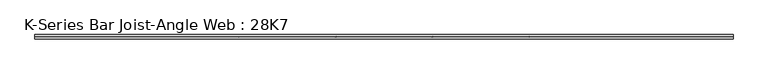
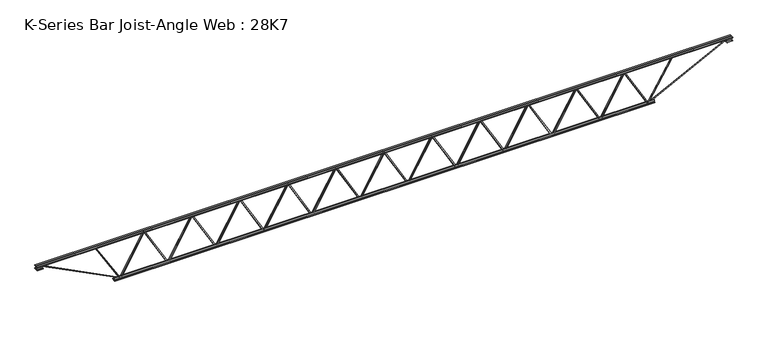
"""IFC4 building model written with IfcOpenShell, lengths in millimetres: beam geometry, K-Series Bar Joist-Angle Web : 28K7."""

from ifc_helpers import new_model, si_unit, frame, origin, place, context, project, spatial, polyline, outline, extrude, faceted_brep, source, transform, mapped, element, save


def k_series_bar_joist_angle_web_28k7_115aaade(model_context):
    return source(origin(), model_context, "Body", "SolidModel", [
        extrude(outline(polyline([(-4.7625, 4.7625001), (-4.7625, 0.0), (-17.4625, 0.0), (-17.4625, 4.7625001), (-4.7625, 4.7625001)])), frame((3647.6583757, 0.0, -317.5), z_axis=(-0.5001956267087221, 0.0, 0.8659124291875414), x_axis=(0.0, -1.0, 0.0)), (0.0, 0.0, 1.0), 733.3305062),
        extrude(outline(polyline([(-352.425, 3679.6806818), (-333.375, 3679.6806818), (-333.375, 3678.8285087), (352.425, 3282.6750996), (352.425, 3264.4772727), (333.375, 3264.4772727), (333.375, 3271.6794458), (-352.425, 3667.8328549), (-352.425, 3679.6806818)])), frame((0.0, 0.0, 0.0), z_axis=(0.0, 1.0, 0.0), x_axis=(0.0, 0.0, 1.0)), (0.0, 0.0, 1.0), 4.7625),
        faceted_brep([(2861.9738636, 0.0, -333.375), (2861.9738636, 0.0, -352.425), (2861.9738636, -4.7625, -352.425), (2861.9738636, -4.7625, -333.375), (2862.8260367, 0.0, -333.375), (3258.9794458, 0.0, 352.425), (3277.1772727, 0.0, 352.425), (3277.1772727, 0.0, 333.375), (3269.9750996, 0.0, 333.375), (2873.8216905, 0.0, -352.425), (2873.8216905, -4.7625, -352.425), (2893.9961697, -4.7625, -317.5), (2889.8722618, -4.7625, -315.1178183), (3256.6809739, -4.7625, 319.8821817), (3260.8048818, -4.7625, 317.5), (3269.9750996, -4.7625, 333.375), (3277.1772727, -4.7625, 333.375), (3277.1772727, -4.7625, 352.425), (3258.9794458, -4.7625, 352.425), (2862.8260367, -4.7625, -333.375), (3260.8048818, -17.4625, 317.5), (2893.9961697, -17.4625, -317.5), (2889.8722618, -17.4625, -315.1178183), (3256.6809739, -17.4625, 319.8821817)], [[[0, 1, 2, 3]], [[1, 0, 4, 5, 6, 7, 8, 9]], [[2, 1, 9, 10]], [[3, 2, 10, 11, 12, 13, 14, 15, 16, 17, 18, 19]], [[0, 3, 19, 4]], [[9, 8, 15, 14, 20, 21, 11, 10]], [[5, 4, 19, 18]], [[7, 6, 17, 16]], [[8, 7, 16, 15]], [[6, 5, 18, 17]], [[21, 22, 12, 11]], [[20, 14, 13, 23]], [[22, 21, 20, 23]], [[12, 22, 23, 13]]]),
        extrude(outline(polyline([(-4.7625, 4.7625), (-4.7625, 0.0), (-17.4625, 0.0), (-17.4625, 4.7625), (-4.7625, 4.7625)])), frame((2829.9515576, 0.0, -317.5), z_axis=(-0.5001956267087221, 0.0, 0.8659124291875414), x_axis=(0.0, -1.0, 0.0)), (0.0, 0.0, 1.0), 733.3305062),
        extrude(outline(polyline([(-352.425, 2861.9738636), (-333.375, 2861.9738636), (-333.375, 2861.1216905), (352.425, 2464.9682815), (352.425, 2446.7704545), (333.375, 2446.7704545), (333.375, 2453.9726276), (-352.425, 2850.1260367), (-352.425, 2861.9738636)])), frame((0.0, 0.0, 0.0), z_axis=(0.0, 1.0, 0.0), x_axis=(0.0, 0.0, 1.0)), (0.0, 0.0, 1.0), 4.7625),
        faceted_brep([(2044.2670455, 0.0, -333.375), (2044.2670455, 0.0, -352.425), (2044.2670455, -4.7625, -352.425), (2044.2670455, -4.7625, -333.375), (2045.1192185, 0.0, -333.375), (2441.2726276, 0.0, 352.425), (2459.4704545, 0.0, 352.425), (2459.4704545, 0.0, 333.375), (2452.2682815, 0.0, 333.375), (2056.1148724, 0.0, -352.425), (2056.1148724, -4.7625, -352.425), (2076.2893515, -4.7625, -317.5), (2072.1654436, -4.7625, -315.1178183), (2438.9741557, -4.7625, 319.8821817), (2443.0980637, -4.7625, 317.5), (2452.2682815, -4.7625, 333.375), (2459.4704545, -4.7625, 333.375), (2459.4704545, -4.7625, 352.425), (2441.2726276, -4.7625, 352.425), (2045.1192185, -4.7625, -333.375), (2443.0980637, -17.4625, 317.5), (2076.2893515, -17.4625, -317.5), (2072.1654436, -17.4625, -315.1178183), (2438.9741557, -17.4625, 319.8821817)], [[[0, 1, 2, 3]], [[1, 0, 4, 5, 6, 7, 8, 9]], [[2, 1, 9, 10]], [[3, 2, 10, 11, 12, 13, 14, 15, 16, 17, 18, 19]], [[0, 3, 19, 4]], [[9, 8, 15, 14, 20, 21, 11, 10]], [[5, 4, 19, 18]], [[7, 6, 17, 16]], [[8, 7, 16, 15]], [[6, 5, 18, 17]], [[21, 22, 12, 11]], [[20, 14, 13, 23]], [[22, 21, 20, 23]], [[12, 22, 23, 13]]]),
        extrude(outline(polyline([(-4.7625, 4.7625), (-4.7625, 0.0), (-17.4625, 0.0), (-17.4625, 4.7625), (-4.7625, 4.7625)])), frame((2012.2447394, 0.0, -317.5), z_axis=(-0.5001956267087221, 0.0, 0.8659124291875414), x_axis=(0.0, -1.0, 0.0)), (0.0, 0.0, 1.0), 733.3305062),
        extrude(outline(polyline([(-352.425, 2044.2670455), (-333.375, 2044.2670455), (-333.375, 2043.4148724), (352.425, 1647.2614633), (352.425, 1629.0636364), (333.375, 1629.0636364), (333.375, 1636.2658095), (-352.425, 2032.4192185), (-352.425, 2044.2670455)])), frame((0.0, 0.0, 0.0), z_axis=(0.0, 1.0, 0.0), x_axis=(0.0, 0.0, 1.0)), (0.0, 0.0, 1.0), 4.7625),
        faceted_brep([(1226.5602273, 0.0, -333.375), (1226.5602273, 0.0, -352.425), (1226.5602273, -4.7625, -352.425), (1226.5602273, -4.7625, -333.375), (1227.4124004, 0.0, -333.375), (1623.5658095, 0.0, 352.425), (1641.7636364, 0.0, 352.425), (1641.7636364, 0.0, 333.375), (1634.5614633, 0.0, 333.375), (1238.4080542, 0.0, -352.425), (1238.4080542, -4.7625, -352.425), (1258.5825334, -4.7625, -317.5), (1254.4586254, -4.7625, -315.1178183), (1621.2673375, -4.7625, 319.8821817), (1625.3912455, -4.7625, 317.5), (1634.5614633, -4.7625, 333.375), (1641.7636364, -4.7625, 333.375), (1641.7636364, -4.7625, 352.425), (1623.5658095, -4.7625, 352.425), (1227.4124004, -4.7625, -333.375), (1625.3912455, -17.4625, 317.5), (1258.5825334, -17.4625, -317.5), (1254.4586254, -17.4625, -315.1178183), (1621.2673375, -17.4625, 319.8821817)], [[[0, 1, 2, 3]], [[1, 0, 4, 5, 6, 7, 8, 9]], [[2, 1, 9, 10]], [[3, 2, 10, 11, 12, 13, 14, 15, 16, 17, 18, 19]], [[0, 3, 19, 4]], [[9, 8, 15, 14, 20, 21, 11, 10]], [[5, 4, 19, 18]], [[7, 6, 17, 16]], [[8, 7, 16, 15]], [[6, 5, 18, 17]], [[21, 22, 12, 11]], [[20, 14, 13, 23]], [[22, 21, 20, 23]], [[12, 22, 23, 13]]]),
        extrude(outline(polyline([(-4.7625, 4.7625), (-4.7625, 0.0), (-17.4625, 0.0), (-17.4625, 4.7625), (-4.7625, 4.7625)])), frame((1194.5379212, 0.0, -317.5), z_axis=(-0.5001956267087221, 0.0, 0.8659124291875414), x_axis=(0.0, -1.0, 0.0)), (0.0, 0.0, 1.0), 733.3305062),
        extrude(outline(polyline([(-352.425, 1226.5602273), (-333.375, 1226.5602273), (-333.375, 1225.7080542), (352.425, 829.5546451), (352.425, 811.3568182), (333.375, 811.3568182), (333.375, 818.5589913), (-352.425, 1214.7124004), (-352.425, 1226.5602273)])), frame((0.0, 0.0, 0.0), z_axis=(0.0, 1.0, 0.0), x_axis=(0.0, 0.0, 1.0)), (0.0, 0.0, 1.0), 4.7625),
        faceted_brep([(408.8534091, 0.0, -333.375), (408.8534091, 0.0, -352.425), (408.8534091, -4.7625, -352.425), (408.8534091, -4.7625, -333.375), (409.7055822, 0.0, -333.375), (805.8589913, 0.0, 352.425), (824.0568182, 0.0, 352.425), (824.0568182, 0.0, 333.375), (816.8546451, 0.0, 333.375), (420.701236, 0.0, -352.425), (420.701236, -4.7625, -352.425), (440.8757152, -4.7625, -317.5), (436.7518072, -4.7625, -315.1178183), (803.5605193, -4.7625, 319.8821817), (807.6844273, -4.7625, 317.5), (816.8546451, -4.7625, 333.375), (824.0568182, -4.7625, 333.375), (824.0568182, -4.7625, 352.425), (805.8589913, -4.7625, 352.425), (409.7055822, -4.7625, -333.375), (807.6844273, -17.4625, 317.5), (440.8757152, -17.4625, -317.5), (436.7518072, -17.4625, -315.1178183), (803.5605193, -17.4625, 319.8821817)], [[[0, 1, 2, 3]], [[1, 0, 4, 5, 6, 7, 8, 9]], [[2, 1, 9, 10]], [[3, 2, 10, 11, 12, 13, 14, 15, 16, 17, 18, 19]], [[0, 3, 19, 4]], [[9, 8, 15, 14, 20, 21, 11, 10]], [[5, 4, 19, 18]], [[7, 6, 17, 16]], [[8, 7, 16, 15]], [[6, 5, 18, 17]], [[21, 22, 12, 11]], [[20, 14, 13, 23]], [[22, 21, 20, 23]], [[12, 22, 23, 13]]]),
        extrude(outline(polyline([(-4.7625, 4.7625001), (-4.7625, 0.0), (-17.4625, 0.0), (-17.4625, 4.7625001), (-4.7625, 4.7625001)])), frame((376.831103, 0.0, -317.5), z_axis=(-0.5001956267087221, 0.0, 0.8659124291875414), x_axis=(0.0, -1.0, 0.0)), (0.0, 0.0, 1.0), 733.3305062),
        extrude(outline(polyline([(-352.425, 408.8534091), (-333.375, 408.8534091), (-333.375, 408.001236), (352.425, 11.8478269), (352.425, -6.35), (333.375, -6.35), (333.375, 0.8521731), (-352.425, 397.0055822), (-352.425, 408.8534091)])), frame((0.0, 0.0, 0.0), z_axis=(0.0, 1.0, 0.0), x_axis=(0.0, 0.0, 1.0)), (0.0, 0.0, 1.0), 4.7625),
        faceted_brep([(-408.8534091, 0.0, -333.375), (-408.8534091, 0.0, -352.425), (-408.8534091, -4.7625, -352.425), (-408.8534091, -4.7625, -333.375), (-408.001236, 0.0, -333.375), (-11.8478269, 0.0, 352.425), (6.35, 0.0, 352.425), (6.35, 0.0, 333.375), (-0.8521731, 0.0, 333.375), (-397.0055822, 0.0, -352.425), (-397.0055822, -4.7625, -352.425), (-376.831103, -4.7625, -317.5), (-380.955011, -4.7625, -315.1178183), (-14.1462988, -4.7625, 319.8821817), (-10.0223909, -4.7625, 317.5), (-0.8521731, -4.7625, 333.375), (6.35, -4.7625, 333.375), (6.35, -4.7625, 352.425), (-11.8478269, -4.7625, 352.425), (-408.001236, -4.7625, -333.375), (-10.0223909, -17.4625, 317.5), (-376.831103, -17.4625, -317.5), (-380.955011, -17.4625, -315.1178183), (-14.1462988, -17.4625, 319.8821817)], [[[0, 1, 2, 3]], [[1, 0, 4, 5, 6, 7, 8, 9]], [[2, 1, 9, 10]], [[3, 2, 10, 11, 12, 13, 14, 15, 16, 17, 18, 19]], [[0, 3, 19, 4]], [[9, 8, 15, 14, 20, 21, 11, 10]], [[5, 4, 19, 18]], [[7, 6, 17, 16]], [[8, 7, 16, 15]], [[6, 5, 18, 17]], [[21, 22, 12, 11]], [[20, 14, 13, 23]], [[22, 21, 20, 23]], [[12, 22, 23, 13]]]),
        extrude(outline(polyline([(-4.7625, 4.7625001), (-4.7625, 0.0), (-17.4625, 0.0), (-17.4625, 4.7625001), (-4.7625, 4.7625001)])), frame((-440.8757152, 0.0, -317.5), z_axis=(-0.5001956267087221, 0.0, 0.8659124291875414), x_axis=(0.0, -1.0, 0.0)), (0.0, 0.0, 1.0), 733.3305062),
        extrude(outline(polyline([(-352.425, -408.8534091), (-333.375, -408.8534091), (-333.375, -409.7055822), (352.425, -805.8589913), (352.425, -824.0568182), (333.375, -824.0568182), (333.375, -816.8546451), (-352.425, -420.701236), (-352.425, -408.8534091)])), frame((0.0, 0.0, 0.0), z_axis=(0.0, 1.0, 0.0), x_axis=(0.0, 0.0, 1.0)), (0.0, 0.0, 1.0), 4.7625),
        faceted_brep([(-1226.5602273, 0.0, -333.375), (-1226.5602273, 0.0, -352.425), (-1226.5602273, -4.7625, -352.425), (-1226.5602273, -4.7625, -333.375), (-1225.7080542, 0.0, -333.375), (-829.5546451, 0.0, 352.425), (-811.3568182, 0.0, 352.425), (-811.3568182, 0.0, 333.375), (-818.5589913, 0.0, 333.375), (-1214.7124004, 0.0, -352.425), (-1214.7124004, -4.7625, -352.425), (-1194.5379212, -4.7625, -317.5), (-1198.6618291, -4.7625, -315.1178183), (-831.853117, -4.7625, 319.8821817), (-827.7292091, -4.7625, 317.5), (-818.5589913, -4.7625, 333.375), (-811.3568182, -4.7625, 333.375), (-811.3568182, -4.7625, 352.425), (-829.5546451, -4.7625, 352.425), (-1225.7080542, -4.7625, -333.375), (-827.7292091, -17.4625, 317.5), (-1194.5379212, -17.4625, -317.5), (-1198.6618291, -17.4625, -315.1178183), (-831.853117, -17.4625, 319.8821817)], [[[0, 1, 2, 3]], [[1, 0, 4, 5, 6, 7, 8, 9]], [[2, 1, 9, 10]], [[3, 2, 10, 11, 12, 13, 14, 15, 16, 17, 18, 19]], [[0, 3, 19, 4]], [[9, 8, 15, 14, 20, 21, 11, 10]], [[5, 4, 19, 18]], [[7, 6, 17, 16]], [[8, 7, 16, 15]], [[6, 5, 18, 17]], [[21, 22, 12, 11]], [[20, 14, 13, 23]], [[22, 21, 20, 23]], [[12, 22, 23, 13]]]),
        extrude(outline(polyline([(-4.7625, 4.7625001), (-4.7625, 0.0), (-17.4625, 0.0), (-17.4625, 4.7625001), (-4.7625, 4.7625001)])), frame((-1258.5825334, 0.0, -317.5), z_axis=(-0.5001956267087221, 0.0, 0.8659124291875414), x_axis=(0.0, -1.0, 0.0)), (0.0, 0.0, 1.0), 733.3305062),
        extrude(outline(polyline([(-352.425, -1226.5602273), (-333.375, -1226.5602273), (-333.375, -1227.4124004), (352.425, -1623.5658095), (352.425, -1641.7636364), (333.375, -1641.7636364), (333.375, -1634.5614633), (-352.425, -1238.4080542), (-352.425, -1226.5602273)])), frame((0.0, 0.0, 0.0), z_axis=(0.0, 1.0, 0.0), x_axis=(0.0, 0.0, 1.0)), (0.0, 0.0, 1.0), 4.7625),
        faceted_brep([(-2044.2670455, 0.0, -333.375), (-2044.2670455, 0.0, -352.425), (-2044.2670455, -4.7625, -352.425), (-2044.2670455, -4.7625, -333.375), (-2043.4148724, 0.0, -333.375), (-1647.2614633, 0.0, 352.425), (-1629.0636364, 0.0, 352.425), (-1629.0636364, 0.0, 333.375), (-1636.2658095, 0.0, 333.375), (-2032.4192185, 0.0, -352.425), (-2032.4192185, -4.7625, -352.425), (-2012.2447394, -4.7625, -317.5), (-2016.3686473, -4.7625, -315.1178183), (-1649.5599352, -4.7625, 319.8821817), (-1645.4360273, -4.7625, 317.5), (-1636.2658095, -4.7625, 333.375), (-1629.0636364, -4.7625, 333.375), (-1629.0636364, -4.7625, 352.425), (-1647.2614633, -4.7625, 352.425), (-2043.4148724, -4.7625, -333.375), (-1645.4360273, -17.4625, 317.5), (-2012.2447394, -17.4625, -317.5), (-2016.3686473, -17.4625, -315.1178183), (-1649.5599352, -17.4625, 319.8821817)], [[[0, 1, 2, 3]], [[1, 0, 4, 5, 6, 7, 8, 9]], [[2, 1, 9, 10]], [[3, 2, 10, 11, 12, 13, 14, 15, 16, 17, 18, 19]], [[0, 3, 19, 4]], [[9, 8, 15, 14, 20, 21, 11, 10]], [[5, 4, 19, 18]], [[7, 6, 17, 16]], [[8, 7, 16, 15]], [[6, 5, 18, 17]], [[21, 22, 12, 11]], [[20, 14, 13, 23]], [[22, 21, 20, 23]], [[12, 22, 23, 13]]]),
        extrude(outline(polyline([(-4.7625, 4.7625), (-4.7625, 0.0), (-17.4625, 0.0), (-17.4625, 4.7625), (-4.7625, 4.7625)])), frame((-2076.2893515, 0.0, -317.5), z_axis=(-0.5001956267087221, 0.0, 0.8659124291875414), x_axis=(0.0, -1.0, 0.0)), (0.0, 0.0, 1.0), 733.3305062),
        extrude(outline(polyline([(-352.425, -2044.2670455), (-333.375, -2044.2670455), (-333.375, -2045.1192185), (352.425, -2441.2726276), (352.425, -2459.4704545), (333.375, -2459.4704545), (333.375, -2452.2682815), (-352.425, -2056.1148724), (-352.425, -2044.2670455)])), frame((0.0, 0.0, 0.0), z_axis=(0.0, 1.0, 0.0), x_axis=(0.0, 0.0, 1.0)), (0.0, 0.0, 1.0), 4.7625),
        faceted_brep([(-2861.9738636, 0.0, -333.375), (-2861.9738636, 0.0, -352.425), (-2861.9738636, -4.7625, -352.425), (-2861.9738636, -4.7625, -333.375), (-2861.1216905, 0.0, -333.375), (-2464.9682815, 0.0, 352.425), (-2446.7704545, 0.0, 352.425), (-2446.7704545, 0.0, 333.375), (-2453.9726276, 0.0, 333.375), (-2850.1260367, 0.0, -352.425), (-2850.1260367, -4.7625, -352.425), (-2829.9515576, -4.7625, -317.5), (-2834.0754655, -4.7625, -315.1178183), (-2467.2667534, -4.7625, 319.8821817), (-2463.1428454, -4.7625, 317.5), (-2453.9726276, -4.7625, 333.375), (-2446.7704545, -4.7625, 333.375), (-2446.7704545, -4.7625, 352.425), (-2464.9682815, -4.7625, 352.425), (-2861.1216905, -4.7625, -333.375), (-2463.1428454, -17.4625, 317.5), (-2829.9515576, -17.4625, -317.5), (-2834.0754655, -17.4625, -315.1178183), (-2467.2667534, -17.4625, 319.8821817)], [[[0, 1, 2, 3]], [[1, 0, 4, 5, 6, 7, 8, 9]], [[2, 1, 9, 10]], [[3, 2, 10, 11, 12, 13, 14, 15, 16, 17, 18, 19]], [[0, 3, 19, 4]], [[9, 8, 15, 14, 20, 21, 11, 10]], [[5, 4, 19, 18]], [[7, 6, 17, 16]], [[8, 7, 16, 15]], [[6, 5, 18, 17]], [[21, 22, 12, 11]], [[20, 14, 13, 23]], [[22, 21, 20, 23]], [[12, 22, 23, 13]]]),
        extrude(outline(polyline([(-4.7625, 4.7625), (-4.7625, 0.0), (-17.4625, 0.0), (-17.4625, 4.7625), (-4.7625, 4.7625)])), frame((-2893.9961697, 0.0, -317.5), z_axis=(-0.5001956267087221, 0.0, 0.8659124291875414), x_axis=(0.0, -1.0, 0.0)), (0.0, 0.0, 1.0), 733.3305062),
        extrude(outline(polyline([(-352.425, -2861.9738636), (-333.375, -2861.9738636), (-333.375, -2862.8260367), (352.425, -3258.9794458), (352.425, -3277.1772727), (333.375, -3277.1772727), (333.375, -3269.9750996), (-352.425, -2873.8216905), (-352.425, -2861.9738636)])), frame((0.0, 0.0, 0.0), z_axis=(0.0, 1.0, 0.0), x_axis=(0.0, 0.0, 1.0)), (0.0, 0.0, 1.0), 4.7625),
        faceted_brep([(-3679.6806818, 0.0, -333.375), (-3679.6806818, 0.0, -352.425), (-3679.6806818, -4.7625, -352.425), (-3679.6806818, -4.7625, -333.375), (-3678.8285087, 0.0, -333.375), (-3282.6750996, 0.0, 352.425), (-3264.4772727, 0.0, 352.425), (-3264.4772727, 0.0, 333.375), (-3271.6794458, 0.0, 333.375), (-3667.8328549, 0.0, -352.425), (-3667.8328549, -4.7625, -352.425), (-3647.6583757, -4.7625, -317.5), (-3651.7822837, -4.7625, -315.1178183), (-3284.9735716, -4.7625, 319.8821817), (-3280.8496636, -4.7625, 317.5), (-3271.6794458, -4.7625, 333.375), (-3264.4772727, -4.7625, 333.375), (-3264.4772727, -4.7625, 352.425), (-3282.6750996, -4.7625, 352.425), (-3678.8285087, -4.7625, -333.375), (-3280.8496636, -17.4625, 317.5), (-3647.6583757, -17.4625, -317.5), (-3651.7822837, -17.4625, -315.1178183), (-3284.9735716, -17.4625, 319.8821817)], [[[0, 1, 2, 3]], [[1, 0, 4, 5, 6, 7, 8, 9]], [[2, 1, 9, 10]], [[3, 2, 10, 11, 12, 13, 14, 15, 16, 17, 18, 19]], [[0, 3, 19, 4]], [[9, 8, 15, 14, 20, 21, 11, 10]], [[5, 4, 19, 18]], [[7, 6, 17, 16]], [[8, 7, 16, 15]], [[6, 5, 18, 17]], [[21, 22, 12, 11]], [[20, 14, 13, 23]], [[22, 21, 20, 23]], [[12, 22, 23, 13]]]),
        extrude(outline(polyline([(-4.7625, 4.7625001), (-4.7625, 0.0), (-17.4625, 0.0), (-17.4625, 4.7625001), (-4.7625, 4.7625001)])), frame((4465.3651939, 0.0, -317.5), z_axis=(-0.5001956267087221, 0.0, 0.8659124291875414), x_axis=(0.0, -1.0, 0.0)), (0.0, 0.0, 1.0), 733.3305062),
        extrude(outline(polyline([(-352.425, 4497.3875), (-333.375, 4497.3875), (-333.375, 4496.5353269), (352.425, 4100.3819178), (352.425, 4082.1840909), (333.375, 4082.1840909), (333.375, 4089.386264), (-352.425, 4485.5396731), (-352.425, 4497.3875)])), frame((0.0, 0.0, 0.0), z_axis=(0.0, 1.0, 0.0), x_axis=(0.0, 0.0, 1.0)), (0.0, 0.0, 1.0), 4.7625),
        faceted_brep([(3679.6806818, 0.0, -333.375), (3679.6806818, 0.0, -352.425), (3679.6806818, -4.7625, -352.425), (3679.6806818, -4.7625, -333.375), (3680.5328549, 0.0, -333.375), (4076.686264, 0.0, 352.425), (4094.8840909, 0.0, 352.425), (4094.8840909, 0.0, 333.375), (4087.6819178, 0.0, 333.375), (3691.5285087, 0.0, -352.425), (3691.5285087, -4.7625, -352.425), (3711.7029879, -4.7625, -317.5), (3707.57908, -4.7625, -315.1178183), (4074.3877921, -4.7625, 319.8821817), (4078.5117, -4.7625, 317.5), (4087.6819178, -4.7625, 333.375), (4094.8840909, -4.7625, 333.375), (4094.8840909, -4.7625, 352.425), (4076.686264, -4.7625, 352.425), (3680.5328549, -4.7625, -333.375), (4078.5117, -17.4625, 317.5), (3711.7029879, -17.4625, -317.5), (3707.57908, -17.4625, -315.1178183), (4074.3877921, -17.4625, 319.8821817)], [[[0, 1, 2, 3]], [[1, 0, 4, 5, 6, 7, 8, 9]], [[2, 1, 9, 10]], [[3, 2, 10, 11, 12, 13, 14, 15, 16, 17, 18, 19]], [[0, 3, 19, 4]], [[9, 8, 15, 14, 20, 21, 11, 10]], [[5, 4, 19, 18]], [[7, 6, 17, 16]], [[8, 7, 16, 15]], [[6, 5, 18, 17]], [[21, 22, 12, 11]], [[20, 14, 13, 23]], [[22, 21, 20, 23]], [[12, 22, 23, 13]]]),
        extrude(outline(polyline([(-4.7625, 4.7625), (-4.7625, 0.0), (-17.4625, 0.0), (-17.4625, 4.7625), (-4.7625, 4.7625)])), frame((-3711.7029879, 0.0, -317.5), z_axis=(-0.5001956267087221, 0.0, 0.8659124291875414), x_axis=(0.0, -1.0, 0.0)), (0.0, 0.0, 1.0), 733.3305062),
        extrude(outline(polyline([(-352.425, -3679.6806818), (-333.375, -3679.6806818), (-333.375, -3680.5328549), (352.425, -4076.686264), (352.425, -4094.8840909), (333.375, -4094.8840909), (333.375, -4087.6819178), (-352.425, -3691.5285087), (-352.425, -3679.6806818)])), frame((0.0, 0.0, 0.0), z_axis=(0.0, 1.0, 0.0), x_axis=(0.0, 0.0, 1.0)), (0.0, 0.0, 1.0), 4.7625),
        faceted_brep([(-4497.3875, 0.0, -333.375), (-4497.3875, 0.0, -352.425), (-4497.3875, -4.7625, -352.425), (-4497.3875, -4.7625, -333.375), (-4496.5353269, 0.0, -333.375), (-4100.3819178, 0.0, 352.425), (-4082.1840909, 0.0, 352.425), (-4082.1840909, 0.0, 333.375), (-4089.386264, 0.0, 333.375), (-4485.5396731, 0.0, -352.425), (-4485.5396731, -4.7625, -352.425), (-4465.3651939, -4.7625, -317.5), (-4469.4891019, -4.7625, -315.1178183), (-4102.6803897, -4.7625, 319.8821817), (-4098.5564818, -4.7625, 317.5), (-4089.386264, -4.7625, 333.375), (-4082.1840909, -4.7625, 333.375), (-4082.1840909, -4.7625, 352.425), (-4100.3819178, -4.7625, 352.425), (-4496.5353269, -4.7625, -333.375), (-4098.5564818, -17.4625, 317.5), (-4465.3651939, -17.4625, -317.5), (-4469.4891019, -17.4625, -315.1178183), (-4102.6803897, -17.4625, 319.8821817)], [[[0, 1, 2, 3]], [[1, 0, 4, 5, 6, 7, 8, 9]], [[2, 1, 9, 10]], [[3, 2, 10, 11, 12, 13, 14, 15, 16, 17, 18, 19]], [[0, 3, 19, 4]], [[9, 8, 15, 14, 20, 21, 11, 10]], [[5, 4, 19, 18]], [[7, 6, 17, 16]], [[8, 7, 16, 15]], [[6, 5, 18, 17]], [[21, 22, 12, 11]], [[20, 14, 13, 23]], [[22, 21, 20, 23]], [[12, 22, 23, 13]]]),
        extrude(outline(polyline([(4.7625, 355.6), (36.5125, 355.6), (36.5125, 349.25), (11.1125, 349.25), (11.1125, 323.85), (4.7625, 323.85), (4.7625, 355.6)])), frame((-5919.7875, 0.0, 0.0), z_axis=(1.0, 0.0, 0.0), x_axis=(0.0, 1.0, 0.0)), (0.0, 0.0, 1.0), 11839.575),
        extrude(outline(polyline([(-4.7625, 355.6), (-4.7625, 323.85), (-11.1125, 323.85), (-11.1125, 349.25), (-36.5125, 349.25), (-36.5125, 355.6), (-4.7625, 355.6)])), frame((-5919.7875, 0.0, 0.0), z_axis=(1.0, 0.0, 0.0), x_axis=(0.0, 1.0, 0.0)), (0.0, 0.0, 1.0), 11839.575),
        extrude(outline(polyline([(-4.7625, 292.1), (-36.5125, 292.1), (-36.5125, 298.45), (-11.1125, 298.45), (-11.1125, 323.85), (-4.7625, 323.85), (-4.7625, 292.1)])), frame((-5919.7875, 0.0, 0.0), z_axis=(1.0, 0.0, 0.0), x_axis=(0.0, 1.0, 0.0)), (0.0, 0.0, 1.0), 101.6),
        extrude(outline(polyline([(36.5125, 292.1), (4.7625, 292.1), (4.7625, 323.85), (11.1125, 323.85), (11.1125, 298.45), (36.5125, 298.45), (36.5125, 292.1)])), frame((-5919.7875, 0.0, 0.0), z_axis=(1.0, 0.0, 0.0), x_axis=(0.0, 1.0, 0.0)), (0.0, 0.0, 1.0), 101.6),
        extrude(outline(polyline([(4.7625, 292.1), (4.7625, 323.85), (11.1125, 323.85), (11.1125, 298.45), (36.5125, 298.45), (36.5125, 292.1), (4.7625, 292.1)])), frame((5818.1875, 0.0, 0.0), z_axis=(1.0, 0.0, 0.0), x_axis=(0.0, 1.0, 0.0)), (0.0, 0.0, 1.0), 101.6),
        extrude(outline(polyline([(-4.7625, 292.1), (-36.5125, 292.1), (-36.5125, 298.45), (-11.1125, 298.45), (-11.1125, 323.85), (-4.7625, 323.85), (-4.7625, 292.1)])), frame((5818.1875, 0.0, 0.0), z_axis=(1.0, 0.0, 0.0), x_axis=(0.0, 1.0, 0.0)), (0.0, 0.0, 1.0), 101.6),
        extrude(outline(polyline([(4.7625, -355.6), (4.7625, -323.85), (11.1125, -323.85), (11.1125, -349.25), (36.5125, -349.25), (36.5125, -355.6), (4.7625, -355.6)])), frame((-4598.9875, 0.0, 0.0), z_axis=(1.0, 0.0, 0.0), x_axis=(0.0, 1.0, 0.0)), (0.0, 0.0, 1.0), 9197.975),
        extrude(outline(polyline([(-4.7625, -355.6), (-36.5125, -355.6), (-36.5125, -349.25), (-11.1125, -349.25), (-11.1125, -323.85), (-4.7625, -323.85), (-4.7625, -355.6)])), frame((-4598.9875, 0.0, 0.0), z_axis=(1.0, 0.0, 0.0), x_axis=(0.0, 1.0, 0.0)), (0.0, 0.0, 1.0), 9197.975),
        extrude(outline(polyline([(4.7625, 4.7625), (4.7625, -4.7625), (-4.7625, -4.7625), (-4.7625, 4.7625), (4.7625, 4.7625)])), frame((4497.3875, 0.0, -349.25), z_axis=(0.5191502738344727, 0.0, 0.85468297817237), x_axis=(0.0, -1.0, 0.0)), (0.0, 0.0, 1.0), 787.5434719),
        extrude(outline(polyline([(4.7625, 4.7625), (4.7625, -4.7625), (-4.7625, -4.7625), (-4.7625, 4.7625), (4.7625, 4.7625)])), frame((-4497.3875, 0.0, -349.25), z_axis=(-0.5191502738344558, 0.0, 0.8546829781723804), x_axis=(0.0, -1.0, 0.0)), (0.0, 0.0, 1.0), 787.5434719),
        extrude(outline(polyline([(0.0, -9.525), (0.0, 0.0), (1482.4224263, 0.0), (1482.4224263, -9.525), (0.0, -9.525)])), frame((5820.3499327, -4.7625, 319.6067358), z_axis=(-0.4540541130905684, 0.0, 0.8909741087066095), x_axis=(-0.8909741087066095, 0.0, -0.4540541130905684)), (0.0, 0.0, 1.0), 9.525),
        extrude(outline(polyline([(0.0, -9.525), (0.0, 0.0), (1482.4224263, 0.0), (1482.4224263, -9.525), (0.0, -9.525)])), frame((-5820.3499327, 4.7625, 319.6067358), z_axis=(0.45405411309056837, 0.0, 0.8909741087066096), x_axis=(0.8909741087066096, 0.0, -0.45405411309056837)), (0.0, 0.0, 1.0), 9.525),
    ])


if __name__ == "__main__":
    model = new_model("IFC4")
    model_context = context("Model", 3, world=origin())
    ifc_project = project(units=[si_unit("LENGTHUNIT", "METRE", prefix="MILLI")], contexts=[model_context])
    site = spatial("IfcSite", under=ifc_project)
    building = spatial("IfcBuilding", under=site)
    placement = place(None, origin())
    k_series_bar_joist_angle_web_28k7_shape = k_series_bar_joist_angle_web_28k7_115aaade(model_context)
    element("IfcBeam", 1, ObjectType="K-Series Bar Joist-Angle Web : 28K7", at=placement, inside=building, context=model_context, shape_type="MappedRepresentation", body=[
        mapped(k_series_bar_joist_angle_web_28k7_shape, transform((0.0, 0.0, 0.0), x_axis=(1.0, 0.0, 0.0), y_axis=(0.0, 1.0, 0.0), z_axis=(0.0, 0.0, 1.0))),
    ])
    save(model, "model.ifc")
